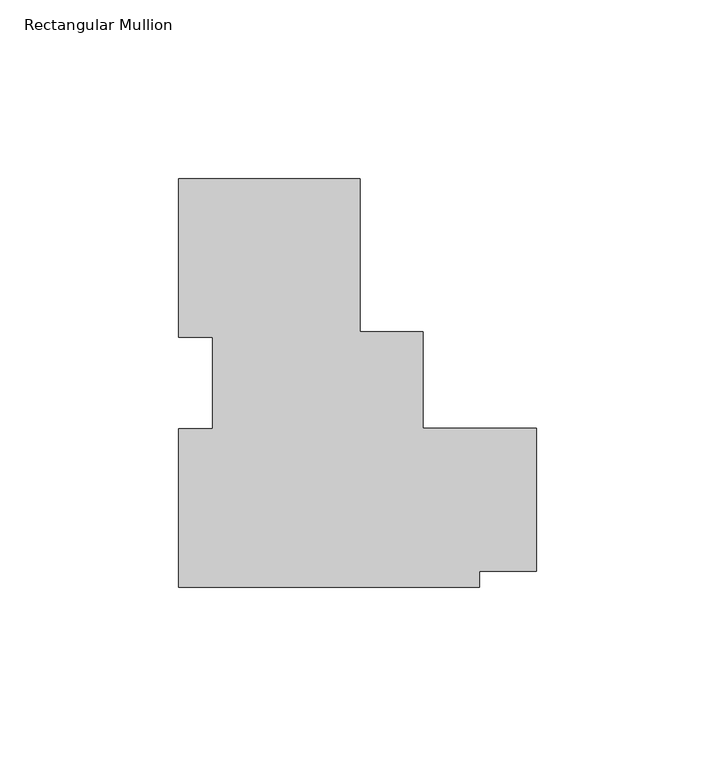
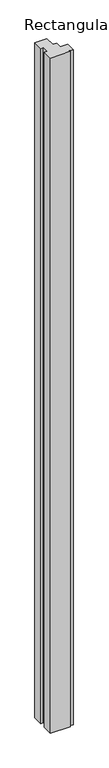
"""IFC4 building model written with IfcOpenShell, lengths in millimetres: member geometry, Rectangular Mullion."""

from ifc_helpers import new_model, si_unit, frame, origin, place, context, project, spatial, polyline, outline, extrude, source, transform, mapped, element, save


def rectangular_mullion_a40cc85d(model_context):
    return source(origin(), model_context, "Body", "SweptSolid", [
        extrude(outline(polyline([(-49.322901, 49.9272911), (-49.322901, 7.0647911), (-31.74817, 7.0647911), (-31.74817, -19.9302019), (0.0, -19.9302019), (0.0, -59.9353074), (-15.8740905, -59.9353074), (-15.8740905, -64.3900974), (-100.122901, -64.3900974), (-100.122901, -19.9628341), (-90.597901, -19.9628341), (-90.597901, 5.5248642), (-100.122901, 5.5248642), (-100.122901, 49.9272911), (-49.322901, 49.9272911)])), frame((0.0, 0.0, -3048.0), z_axis=(0.0, 0.0, 1.0), x_axis=(1.0, 0.0, 0.0)), (0.0, 0.0, 1.0), 3048.0),
    ])


if __name__ == "__main__":
    model = new_model("IFC4")
    model_context = context("Model", 3, world=origin())
    ifc_project = project(units=[si_unit("LENGTHUNIT", "METRE", prefix="MILLI")], contexts=[model_context])
    site = spatial("IfcSite", under=ifc_project)
    building = spatial("IfcBuilding", under=site)
    placement = place(None, origin())
    rectangular_mullion_shape = rectangular_mullion_a40cc85d(model_context)
    element("IfcMember", 1, ObjectType="Rectangular Mullion", at=placement, inside=building, context=model_context, shape_type="MappedRepresentation", body=[
        mapped(rectangular_mullion_shape, transform((0.0, 0.0, 0.0), x_axis=(1.0, 0.0, 0.0), y_axis=(0.0, 1.0, 0.0), z_axis=(0.0, 0.0, 1.0))),
    ])
    save(model, "model.ifc")
